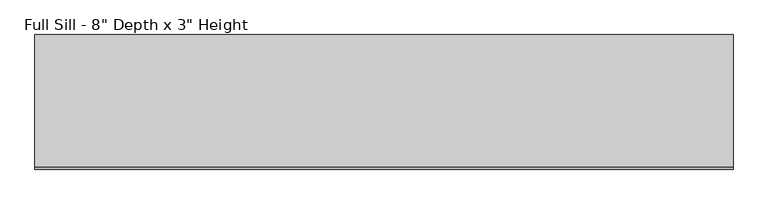
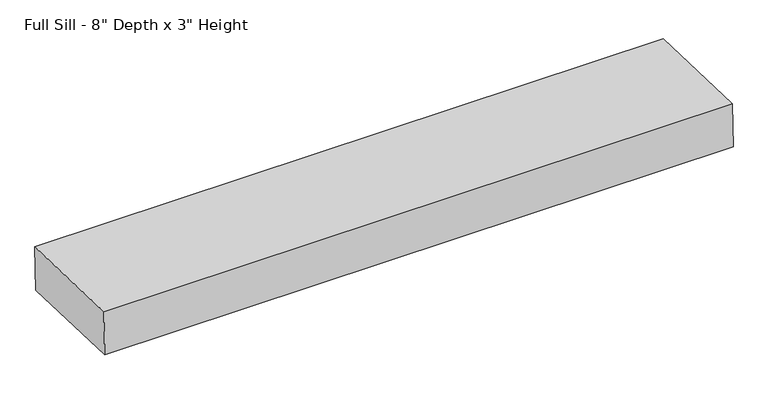
"""IFC4 building model written with IfcOpenShell, lengths in millimetres: proxy geometry."""

from ifc_helpers import new_model, si_unit, frame, origin, place, context, project, spatial, polyline, outline, extrude, source, transform, mapped, element, save


def proxy_5fcb156a(model_context):
    return source(origin(), model_context, "Body", "SweptSolid", [
        extrude(outline(polyline([(0.0, -203.2), (0.0, 0.0), (1066.8, 0.0), (1066.8, -203.2), (0.0, -203.2)])), frame((533.4, 11.2362839, 7.0915777), z_axis=(0.0, 0.0348994967025036, 0.9993908270190957), x_axis=(-1.0, 0.0, 0.0)), (0.0, 0.0, 1.0), 76.2),
    ])


if __name__ == "__main__":
    model = new_model("IFC4")
    model_context = context("Model", 3, world=origin())
    ifc_project = project(units=[si_unit("LENGTHUNIT", "METRE", prefix="MILLI")], contexts=[model_context])
    site = spatial("IfcSite", under=ifc_project)
    building = spatial("IfcBuilding", under=site)
    placement = place(None, origin())
    proxy_shape = proxy_5fcb156a(model_context)
    element("IfcBuildingElementProxy", 1, Name="Full Sill - 8\" Depth x 3\" Height", ObjectType="Full Sill - 8\" Depth x 3\" Height", at=placement, inside=building, context=model_context, shape_type="MappedRepresentation", body=[
        mapped(proxy_shape, transform((0.0, 0.0, 0.0), x_axis=(1.0, 0.0, 0.0), y_axis=(0.0, 1.0, 0.0), z_axis=(0.0, 0.0, 1.0))),
    ])
    save(model, "model.ifc")
